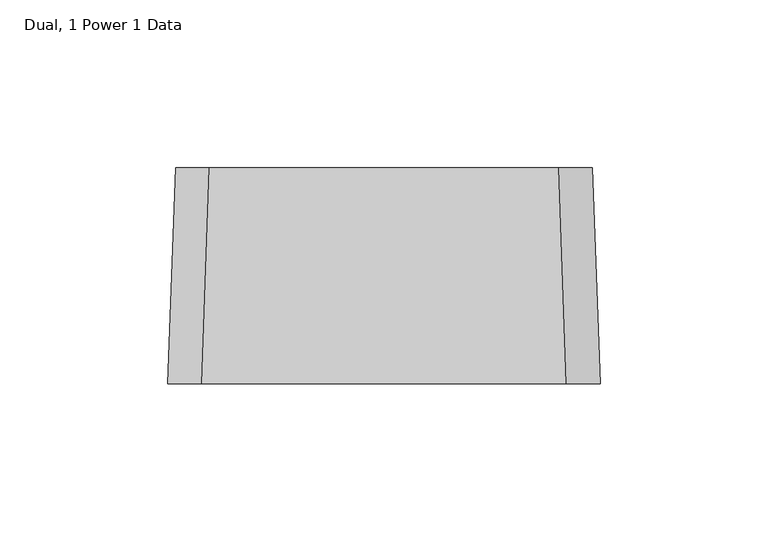
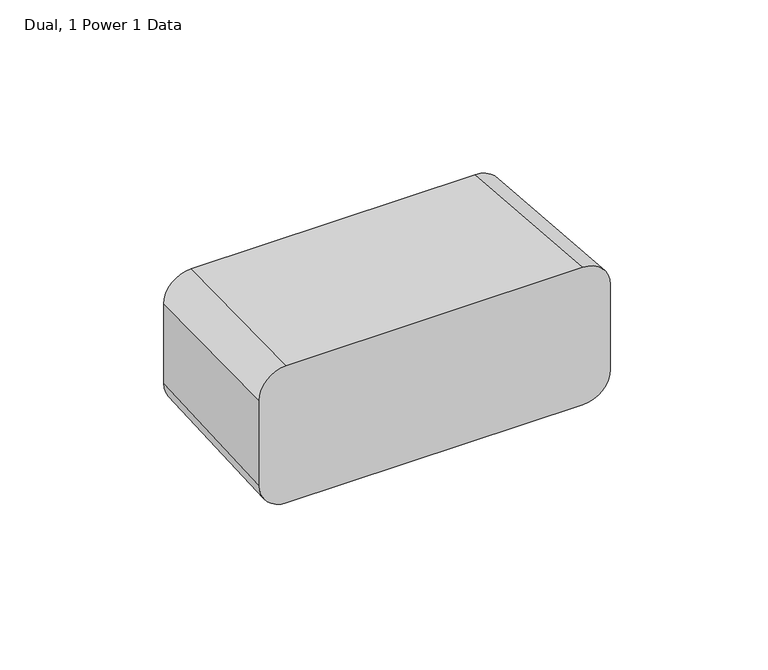
"""IFC4 building model written with IfcOpenShell, lengths in millimetres: proxy geometry, Dual, 1 Power 1 Data."""

from ifc_helpers import new_model, si_unit, point, frame, origin, place, context, project, spatial, circle_curve, trimmed, source, transform, mapped, element, save
from ifc_brep_helpers import plane_surface, extruded_surface, advanced_brep


def dual_1_power_1_data_6782b69d(model_context):
    return source(origin(), model_context, "Body", "AdvancedBrep", [
        advanced_brep(
        [(64.29375, -121.025, 1109.8349345), (54.2466533, -121.025, 1119.8820313), (-54.2726563, -121.025, 1119.8820313), (-64.29375, -121.025, 1109.8609375), (-64.29375, -121.025, 1076.8210938), (-54.2726563, -121.025, 1066.8), (54.2726562, -121.025, 1066.8), (64.29375, -121.025, 1076.8210938), (62.0325311, -56.775, 1107.5489345), (62.0325311, -56.775, 1076.8210938), (52.0114374, -56.775, 1066.8), (-52.0114374, -56.775, 1066.8), (-62.0325311, -56.775, 1076.8210938), (-62.0325311, -56.775, 1107.5749375), (-52.0114374, -56.775, 1117.5960312), (51.9854344, -56.775, 1117.5960312)],
        [
            (0, 1, circle_curve(frame((54.2466533, -121.025, 1109.8349345), z_axis=(0.0, -1.0, 0.0), x_axis=(1.0, 0.0, 0.0)), 10.0470967)),
            (1, 2),
            (2, 3, circle_curve(frame((-54.2726563, -121.025, 1109.8609375), z_axis=(0.0, -1.0, 0.0), x_axis=(1.0, 0.0, 0.0)), 10.0210938)),
            (3, 4),
            (4, 5, circle_curve(frame((-54.2726563, -121.025, 1076.8210938), z_axis=(0.0, -1.0, 0.0), x_axis=(1.0, 0.0, 0.0)), 10.0210938)),
            (5, 6),
            (6, 7, circle_curve(frame((54.2726562, -121.025, 1076.8210938), z_axis=(0.0, -1.0, 0.0), x_axis=(1.0, 0.0, 0.0)), 10.0210938)),
            (7, 0),
            (8, 9),
            (9, 10, circle_curve(frame((52.0114374, -56.775, 1076.8210938), z_axis=(0.0, 1.0, 0.0), x_axis=(1.0, 0.0, 0.0)), 10.0210938)),
            (10, 11),
            (11, 12, circle_curve(frame((-52.0114374, -56.775, 1076.8210938), z_axis=(0.0, 1.0, 0.0), x_axis=(1.0, 0.0, 0.0)), 10.0210938)),
            (12, 13),
            (13, 14, circle_curve(frame((-52.0114374, -56.775, 1107.5749375), z_axis=(0.0, 1.0, 0.0), x_axis=(1.0, 0.0, 0.0)), 10.0210938)),
            (14, 15),
            (15, 8, circle_curve(frame((51.9854344, -56.775, 1107.5489345), z_axis=(0.0, 1.0, 0.0), x_axis=(1.0, 0.0, 0.0)), 10.0470967)),
            (15, 1),
            (0, 8),
            (14, 2),
            (13, 3),
            (12, 4),
            (11, 5),
            (10, 6),
            (9, 7),
        ],
        [
            plane_surface(frame((-0.0032504, -121.025, 1093.3377653), z_axis=(0.0, -1.0, 0.0), x_axis=(0.0, 0.0, 1.0))),
            plane_surface(frame((-0.0032504, -56.775, 1092.1947653), z_axis=(0.0, 1.0, 0.0), x_axis=(0.0, 0.0, 1.0))),
            extruded_surface(trimmed(circle_curve(frame((51.9854344, -56.775, 1107.5489345), z_axis=(0.0, -1.0, 0.0), x_axis=(1.0, 0.0, 0.0)), 10.0470967), [point((62.0325311, -56.775, 1107.5489345))], [point((51.9854344, -56.775, 1117.5960313))], True, "CARTESIAN"), (2.261218899999996, -64.25, 2.285999999999831), 64.33040810467253),
            plane_surface(frame((-0.0130015, -56.775, 1117.5960312), z_axis=(0.0, 0.03555726733113679, 0.9993676404306586), x_axis=(-1.0, 0.0, 0.0))),
            extruded_surface(trimmed(circle_curve(frame((-52.0114374, -56.775, 1107.5749375), z_axis=(0.0, -1.0, 0.0), x_axis=(1.0, 0.0, 0.0)), 10.0210938), [point((-52.0114374, -56.775, 1117.5960312))], [point((-62.0325311, -56.775, 1107.5749375))], True, "CARTESIAN"), (-2.261218900000003, -64.25, 2.286000000000058), 64.33040810467253),
            plane_surface(frame((-62.0325311, -56.775, 1092.1980156), z_axis=(-0.9993812635186013, 0.03517229204876972, 0.0), x_axis=(0.0, 0.0, -1.0))),
            extruded_surface(trimmed(circle_curve(frame((-52.0114374, -56.775, 1076.8210938), z_axis=(0.0, -1.0, 0.0), x_axis=(1.0, 0.0, 0.0)), 10.0210938), [point((-62.0325311, -56.775, 1076.8210938))], [point((-52.0114374, -56.775, 1066.8))], True, "CARTESIAN"), (-2.261218900000003, -64.25, 0.0), 64.28977843260714),
            plane_surface(frame((0.0, -56.775, 1066.8), z_axis=(0.0, 0.0, -1.0), x_axis=(1.0, 0.0, 0.0))),
            extruded_surface(trimmed(circle_curve(frame((52.0114374, -56.775, 1076.8210938), z_axis=(0.0, -1.0, 0.0), x_axis=(1.0, 0.0, 0.0)), 10.0210938), [point((52.0114374, -56.775, 1066.8))], [point((62.0325311, -56.775, 1076.8210938))], True, "CARTESIAN"), (2.2612188000000017, -64.25, 0.0), 64.2897784290899),
            plane_surface(frame((62.0325311, -56.775, 1092.1850141), z_axis=(0.999381263518611, 0.03517229204849586, 0.0), x_axis=(0.0, 0.0, 1.0))),
        ],
        [
            (0, [[1, 2, 3, 4, 5, 6, 7, 8]]),
            (1, [[9, 10, 11, 12, 13, 14, 15, 16]]),
            (2, [[-16, 17, -1, 18]]),
            (3, [[-15, 19, -2, -17]]),
            (4, [[-14, 20, -3, -19]]),
            (5, [[-13, 21, -4, -20]]),
            (6, [[-12, 22, -5, -21]]),
            (7, [[-11, 23, -6, -22]]),
            (8, [[-10, 24, -7, -23]]),
            (9, [[-9, -18, -8, -24]]),
        ],
    ),
    ])


if __name__ == "__main__":
    model = new_model("IFC4")
    model_context = context("Model", 3, world=origin())
    ifc_project = project(units=[si_unit("LENGTHUNIT", "METRE", prefix="MILLI")], contexts=[model_context])
    site = spatial("IfcSite", under=ifc_project)
    building = spatial("IfcBuilding", under=site)
    placement = place(None, origin())
    dual_1_power_1_data_shape = dual_1_power_1_data_6782b69d(model_context)
    element("IfcBuildingElementProxy", 1, Name="Dual, 1 Power 1 Data", ObjectType="Dual, 1 Power 1 Data", at=placement, inside=building, context=model_context, shape_type="MappedRepresentation", body=[
        mapped(dual_1_power_1_data_shape, transform((0.0, 0.0, 0.0), x_axis=(1.0, 0.0, 0.0), y_axis=(0.0, 1.0, 0.0), z_axis=(0.0, 0.0, 1.0))),
    ])
    save(model, "model.ifc")
